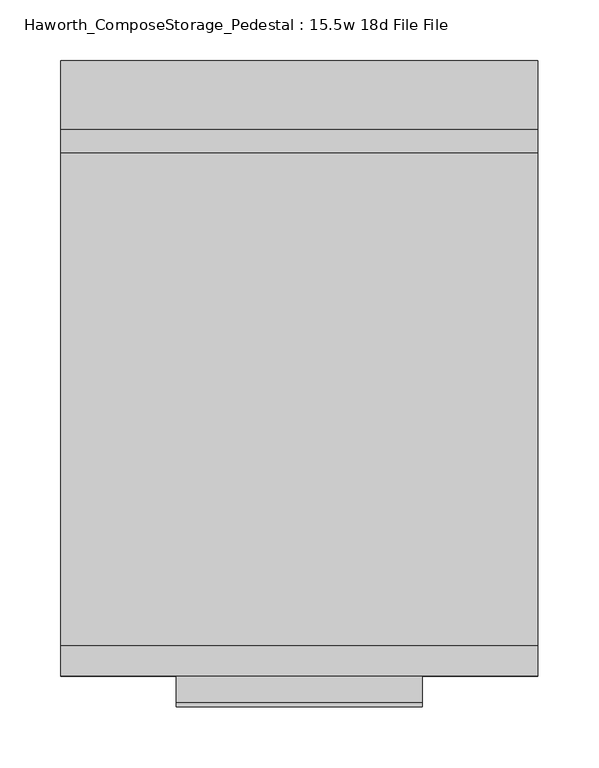
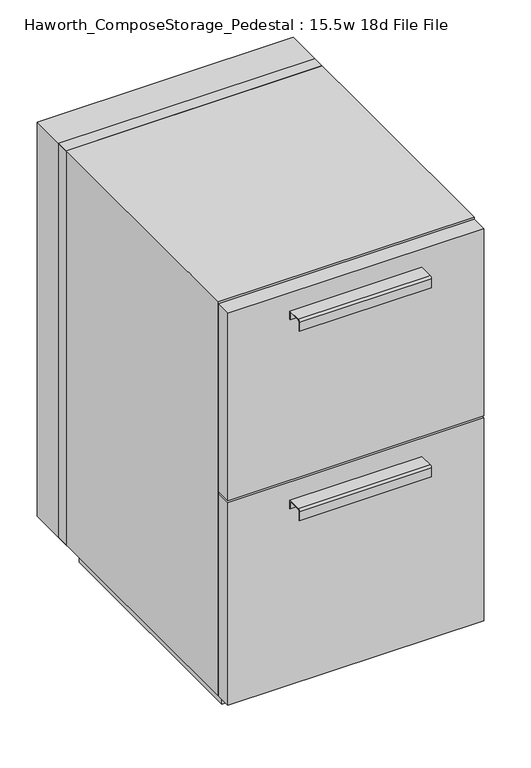
"""IFC4 building model written with IfcOpenShell, lengths in millimetres: furniture geometry, Haworth_ComposeStorage_Pedestal : 15.5w 18d File File."""

from ifc_helpers import new_model, si_unit, point, frame, frame_2d, origin, origin_with_axes, place, context, project, spatial, polyline, circle_curve, trimmed, segment, composite_curve, outline, extrude, source, transform, mapped, element, save


def haworth_composestorage_pedestal_15_5w_18d_file_file_5823186f(model_context):
    return source(origin(), model_context, "Body", "SweptSolid", [
        extrude(outline(composite_curve([segment(polyline([(-200.0250242, 633.9919215), (-177.8, 633.9919215), (-177.8, 620.5299525), (-178.5937742, 620.5299525), (-178.5937742, 633.1982199), (-200.0250242, 633.1982199)]), True, "CONTINUOUS"), segment(trimmed(circle_curve(frame_2d((-200.0250242, 630.8142808)), 2.3839392), [point((-200.0250242, 633.1982199))], [point((-202.4089634, 630.8142808))], True, "CARTESIAN"), True, "CONTINUOUS"), segment(polyline([(-202.4089634, 630.8142808), (-202.4089634, 616.2119021), (-203.1999758, 616.2119021), (-203.1999758, 630.8169699)]), True, "CONTINUOUS"), segment(trimmed(circle_curve(frame_2d((-200.0250242, 630.8169699)), 3.1749516), [point((-203.1999758, 630.8169699))], [point((-200.0250242, 633.9919215))], False, "CARTESIAN"), True, "CONTINUOUS")], self_intersect=False)), frame((-101.5861094, 0.0, 0.0), z_axis=(1.0, 0.0, 0.0), x_axis=(0.0, 1.0, 0.0)), (0.0, 0.0, 1.0), 203.2),
        extrude(outline(polyline([(196.8638906, -152.4), (196.8638906, -177.8), (-196.8361094, -177.8), (-196.8361094, -152.4), (196.8638906, -152.4)])), frame((0.0, 0.0, 358.775), z_axis=(0.0, 0.0, 1.0), x_axis=(1.0, 0.0, 0.0)), (0.0, 0.0, 1.0), 304.8),
        extrude(outline(composite_curve([segment(polyline([(-200.0250242, 326.0169215), (-177.8, 326.0169215), (-177.8, 312.5549525), (-178.5937742, 312.5549525), (-178.5937742, 325.2232199), (-200.0250242, 325.2232199)]), True, "CONTINUOUS"), segment(trimmed(circle_curve(frame_2d((-200.0250242, 322.8392808)), 2.3839392), [point((-200.0250242, 325.2232199))], [point((-202.4089634, 322.8392808))], True, "CARTESIAN"), True, "CONTINUOUS"), segment(polyline([(-202.4089634, 322.8392808), (-202.4089634, 308.2369021), (-203.1999758, 308.2369021), (-203.1999758, 322.8419699)]), True, "CONTINUOUS"), segment(trimmed(circle_curve(frame_2d((-200.0250242, 322.8419699)), 3.1749516), [point((-203.1999758, 322.8419699))], [point((-200.0250242, 326.0169215))], False, "CARTESIAN"), True, "CONTINUOUS")], self_intersect=False)), frame((-101.5861094, 0.0, 0.0), z_axis=(1.0, 0.0, 0.0), x_axis=(0.0, 1.0, 0.0)), (0.0, 0.0, 1.0), 203.2),
        extrude(outline(polyline([(196.8638906, -152.4), (196.8638906, -177.8), (-196.8361094, -177.8), (-196.8361094, -152.4), (196.8638906, -152.4)])), frame((0.0, 0.0, 25.4), z_axis=(0.0, 0.0, 1.0), x_axis=(1.0, 0.0, 0.0)), (0.0, 0.0, 1.0), 330.2),
        extrude(outline(polyline([(196.8638906, 254.0), (-196.8361094, 254.0), (-196.8361094, 273.05), (196.8638906, 273.05), (196.8638906, 254.0)])), frame((0.0, 0.0, 25.4), z_axis=(0.0, 0.0, 1.0), x_axis=(1.0, 0.0, 0.0)), (0.0, 0.0, 1.0), 641.35),
        extrude(outline(polyline([(25.4, -196.8361094), (25.4, 196.8638906), (666.75, 196.8638906), (666.75, -196.8361094), (25.4, -196.8361094)]), holes=[polyline([(44.45, -177.7861094), (647.7, -177.7861094), (647.7, 177.8069453), (44.45, 177.8069453), (44.45, -177.7861094)])]), frame((0.0, -152.4, 0.0), z_axis=(0.0, 1.0, 0.0), x_axis=(0.0, 0.0, 1.0)), (0.0, 0.0, 1.0), 482.6),
        extrude(outline(polyline([(-177.7791641, 219.075), (-177.7791641, 228.6), (177.8069453, 228.6), (177.8069453, 219.075), (-177.7791641, 219.075)])), frame((0.0, 0.0, 44.45), z_axis=(0.0, 0.0, 1.0), x_axis=(1.0, 0.0, 0.0)), (0.0, 0.0, 1.0), 603.25),
        extrude(outline(polyline([(184.1638906, -139.7), (-184.1361094, -139.7), (-184.1361094, 241.3), (184.1638906, 241.3), (184.1638906, -139.7)])), origin_with_axes(), (0.0, 0.0, 1.0), 25.4),
    ])


if __name__ == "__main__":
    model = new_model("IFC4")
    model_context = context("Model", 3, world=origin())
    ifc_project = project(units=[si_unit("LENGTHUNIT", "METRE", prefix="MILLI")], contexts=[model_context])
    site = spatial("IfcSite", under=ifc_project)
    building = spatial("IfcBuilding", under=site)
    placement = place(None, origin())
    haworth_composestorage_pedestal_15_5w_18d_file_file_shape = haworth_composestorage_pedestal_15_5w_18d_file_file_5823186f(model_context)
    element("IfcFurniture", 1, ObjectType="Haworth_ComposeStorage_Pedestal : 15.5w 18d File File", at=placement, inside=building, context=model_context, shape_type="MappedRepresentation", body=[
        mapped(haworth_composestorage_pedestal_15_5w_18d_file_file_shape, transform((0.0, 0.0, 0.0), x_axis=(1.0, 0.0, 0.0), y_axis=(0.0, 1.0, 0.0), z_axis=(0.0, 0.0, 1.0))),
    ])
    save(model, "model.ifc")
